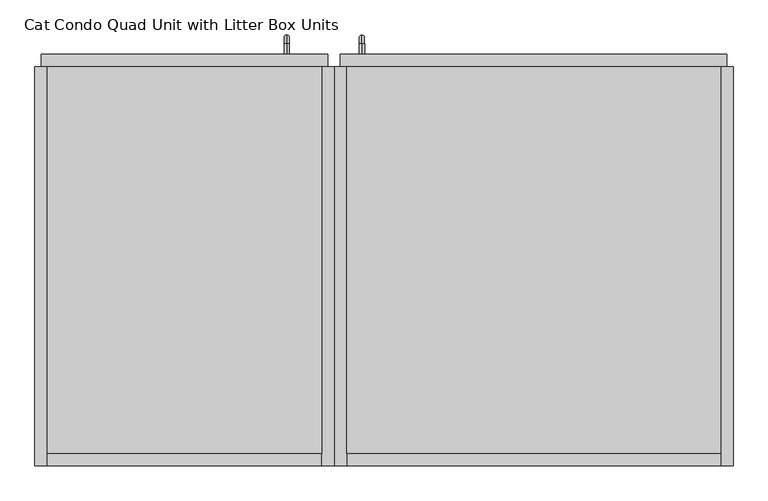
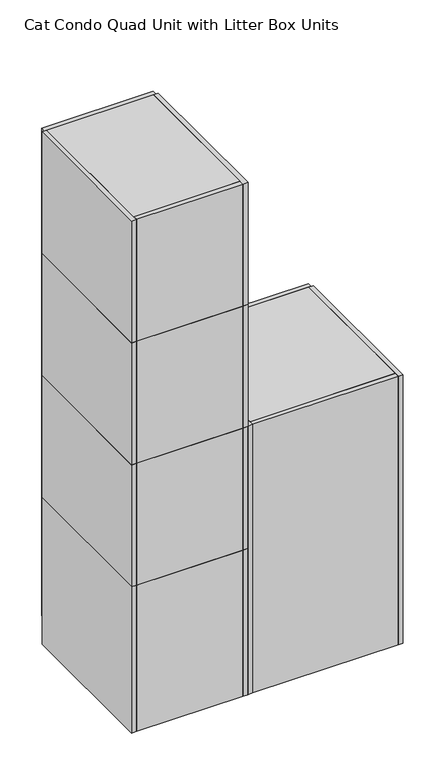
"""IFC4 building model written with IfcOpenShell, lengths in millimetres: proxy geometry, Cat Condo Quad Unit with Litter Box Units."""

from ifc_helpers import new_model, si_unit, point, frame, frame_2d, origin, origin_with_axes, place, context, project, spatial, polyline, circle_curve, ellipse_curve, trimmed, segment, composite_curve, outline, extrude, source, transform, mapped, element, save
from ifc_brep_helpers import plane_surface, cylinder_surface, revolved_surface, advanced_brep


def cat_condo_quad_unit_with_litter_box_units_e218aa6b(model_context):
    return source(origin(), model_context, "Body", "SolidModel", [
        advanced_brep(
        [(994.1819084, 19.05, 551.6993154), (994.1819084, 19.05, 559.5506846), (994.1819084, 35.2117768, 559.5506846), (994.1819084, 35.2117768, 551.6993154), (994.1819084, 48.3756846, 546.3867768), (994.1819084, 40.5243154, 546.3867768), (994.1819084, 48.3756846, 463.2632232), (994.1819084, 40.5243154, 463.2632232), (994.1819084, 35.2117768, 450.0993154), (994.1819084, 35.2117768, 457.9506846), (994.1819084, 19.05, 457.9506846), (994.1819084, 19.05, 450.0993154)],
        [
            (0, 1, circle_curve(frame((994.1819084, 19.05, 555.625), z_axis=(0.0, -1.0, 0.0), x_axis=(0.0, 0.0, 1.0)), 3.9256846)),
            (1, 0, circle_curve(frame((994.1819084, 19.05, 555.625), z_axis=(0.0, -1.0, 0.0), x_axis=(0.0, 0.0, 1.0)), 3.9256846)),
            (1, 2),
            (2, 3, circle_curve(frame((994.1819084, 35.2117768, 555.625), z_axis=(0.0, -1.0, 0.0), x_axis=(0.0, 0.0, 1.0)), 3.9256846)),
            (3, 0),
            (3, 2, circle_curve(frame((994.1819084, 35.2117768, 555.625), z_axis=(0.0, -1.0, 0.0), x_axis=(0.0, 0.0, 1.0)), 3.9256846)),
            (4, 5, circle_curve(frame((994.1819084, 44.45, 546.3867768), z_axis=(0.0, 0.0, 1.0), x_axis=(0.0, 1.0000000000000002, 0.0)), 3.9256846)),
            (5, 3, circle_curve(frame((994.1819084, 35.2117768, 546.3867768), z_axis=(1.0, 0.0, 0.0), x_axis=(0.0, 0.0, 1.0)), 5.3125387)),
            (2, 4, circle_curve(frame((994.1819084, 35.2117768, 546.3867768), z_axis=(-1.0, 0.0, 0.0), x_axis=(0.0, 0.0, 1.0)), 13.1639078)),
            (5, 4, circle_curve(frame((994.1819084, 44.45, 546.3867768), z_axis=(0.0, 0.0, 1.0), x_axis=(0.0, 1.0000000000000002, 0.0)), 3.9256846)),
            (4, 6),
            (6, 7, circle_curve(frame((994.1819084, 44.45, 463.2632232), z_axis=(0.0, 0.0, 1.0), x_axis=(0.0, 1.0000000000000002, 0.0)), 3.9256846)),
            (7, 5),
            (7, 6, circle_curve(frame((994.1819084, 44.45, 463.2632232), z_axis=(0.0, 0.0, 1.0), x_axis=(0.0, 1.0000000000000002, 0.0)), 3.9256846)),
            (8, 9, circle_curve(frame((994.1819084, 35.2117768, 454.025), z_axis=(0.0, 1.0000000000000002, 0.0), x_axis=(0.0, 0.0, -1.0)), 3.9256846)),
            (9, 7, circle_curve(frame((994.1819084, 35.2117768, 463.2632232), z_axis=(1.0, 0.0, 0.0), x_axis=(0.0, 1.0000000000000002, 0.0)), 5.3125387)),
            (6, 8, circle_curve(frame((994.1819084, 35.2117768, 463.2632232), z_axis=(-1.0, 0.0, 0.0), x_axis=(0.0, 1.0000000000000002, 0.0)), 13.1639078)),
            (9, 8, circle_curve(frame((994.1819084, 35.2117768, 454.025), z_axis=(0.0, 1.0000000000000002, 0.0), x_axis=(0.0, 0.0, -1.0)), 3.9256846)),
            (10, 11, circle_curve(frame((994.1819084, 19.05, 454.025), z_axis=(0.0, -1.0, 0.0), x_axis=(0.0, 0.0, -1.0)), 3.9256846)),
            (11, 10, circle_curve(frame((994.1819084, 19.05, 454.025), z_axis=(0.0, -1.0, 0.0), x_axis=(0.0, 0.0, -1.0)), 3.9256846)),
            (8, 11),
            (10, 9),
        ],
        [
            plane_surface(frame((994.1819084, 19.05, 555.625), z_axis=(0.0, -1.0, 0.0), x_axis=(1.0, 0.0, 0.0))),
            cylinder_surface(frame((994.1819084, 19.05, 555.625), z_axis=(0.0, -1.0000000000000002, 0.0), x_axis=(0.0, 0.0, 1.0)), 3.9256846),
            revolved_surface(trimmed(ellipse_curve(frame((994.1819084, 35.2117768, 555.625), z_axis=(0.0, 1.0000000000000002, 0.0), x_axis=(0.0, 0.0, 1.0)), 3.9256846, 3.9256846), [point((994.1819084, 35.2117768, 551.6993154))], [point((994.1819084, 35.2117768, 559.5506846))], True, "CARTESIAN"), (994.1819084, 35.2117768, 546.3867768), (1.0000000000000002, 0.0, 0.0)),
            revolved_surface(trimmed(ellipse_curve(frame((994.1819084, 35.2117768, 555.625), z_axis=(0.0, 1.0000000000000002, 0.0), x_axis=(0.0, 0.0, 1.0)), 3.9256846, 3.9256846), [point((994.1819084, 35.2117768, 559.5506846))], [point((994.1819084, 35.2117768, 551.6993154))], True, "CARTESIAN"), (994.1819084, 35.2117768, 546.3867768), (1.0000000000000002, 0.0, 0.0)),
            cylinder_surface(frame((994.1819084, 44.45, 546.3867768), z_axis=(0.0, 0.0, 1.0), x_axis=(0.0, 1.0000000000000002, 0.0)), 3.9256846),
            revolved_surface(trimmed(ellipse_curve(frame((994.1819084, 44.45, 463.2632232), z_axis=(0.0, 0.0, -1.0), x_axis=(0.0, 1.0000000000000002, 0.0)), 3.9256846, 3.9256846), [point((994.1819084, 40.5243154, 463.2632232))], [point((994.1819084, 48.3756846, 463.2632232))], True, "CARTESIAN"), (994.1819084, 35.2117768, 463.2632232), (1.0000000000000002, 0.0, 0.0)),
            revolved_surface(trimmed(ellipse_curve(frame((994.1819084, 44.45, 463.2632232), z_axis=(0.0, 0.0, -1.0), x_axis=(0.0, 1.0000000000000002, 0.0)), 3.9256846, 3.9256846), [point((994.1819084, 48.3756846, 463.2632232))], [point((994.1819084, 40.5243154, 463.2632232))], True, "CARTESIAN"), (994.1819084, 35.2117768, 463.2632232), (1.0000000000000002, 0.0, 0.0)),
            plane_surface(frame((994.1819084, 19.05, 454.025), z_axis=(0.0, -1.0, 0.0), x_axis=(1.0, 0.0, 0.0))),
            cylinder_surface(frame((994.1819084, 35.2117768, 454.025), z_axis=(0.0, 1.0000000000000002, 0.0), x_axis=(0.0, 0.0, -1.0)), 3.9256846),
        ],
        [
            (0, [[1, 2]]),
            (1, [[3, 4, 5, -2]]),
            (1, [[-5, 6, -3, -1]]),
            (2, [[7, 8, -4, 9]]),
            (3, [[10, -9, -6, -8]]),
            (4, [[11, 12, 13, -7]]),
            (4, [[-13, 14, -11, -10]]),
            (5, [[15, 16, -12, 17]]),
            (6, [[18, -17, -14, -16]]),
            (7, [[19, 20]]),
            (8, [[21, -19, 22, -15]]),
            (8, [[-22, -20, -21, -18]]),
        ],
    ),
        extrude(outline(polyline([(1047.75, -590.55), (628.65, -590.55), (628.65, 0.0), (1047.75, 0.0), (1047.75, -590.55)])), frame((0.0, 0.0, 587.375), z_axis=(0.0, 0.0, 1.0), x_axis=(1.0, 0.0, 0.0)), (0.0, 0.0, 1.0), 19.05),
        extrude(outline(polyline([(1047.75, 0.0), (1047.75, -590.55), (628.65, -590.55), (628.65, 0.0), (1047.75, 0.0)])), frame((0.0, 0.0, 101.6), z_axis=(0.0, 0.0, 1.0), x_axis=(1.0, 0.0, 0.0)), (0.0, 0.0, 1.0), 19.05),
        extrude(outline(polyline([(1047.75, -19.05), (628.65, -19.05), (628.65, 0.0), (1047.75, 0.0), (1047.75, -19.05)])), origin_with_axes(), (0.0, 0.0, 1.0), 101.6),
        extrude(outline(polyline([(1047.75, -609.6), (1047.75, 0.0), (1066.8, 0.0), (1066.8, -609.6), (1047.75, -609.6)])), origin_with_axes(), (0.0, 0.0, 1.0), 606.425),
        extrude(outline(polyline([(1047.75, -609.6), (628.65, -609.6), (628.65, -590.55), (1047.75, -590.55), (1047.75, -609.6)])), origin_with_axes(), (0.0, 0.0, 1.0), 606.425),
        extrude(outline(polyline([(628.65, -609.6), (609.6, -609.6), (609.6, 0.0), (628.65, 0.0), (628.65, -609.6)])), origin_with_axes(), (0.0, 0.0, 1.0), 606.425),
        extrude(outline(composite_curve([segment(polyline([(527.05, 895.35), (527.05, 781.05)]), True, "CONTINUOUS"), segment(trimmed(circle_curve(frame_2d((501.65, 781.05)), 25.4), [point((527.05, 781.05))], [point((501.65, 755.65))], False, "CARTESIAN"), True, "CONTINUOUS"), segment(polyline([(501.65, 755.65), (257.175, 755.65)]), True, "CONTINUOUS"), segment(trimmed(circle_curve(frame_2d((257.175, 781.05)), 25.4), [point((257.175, 755.65))], [point((231.775, 781.05))], False, "CARTESIAN"), True, "CONTINUOUS"), segment(polyline([(231.775, 781.05), (231.775, 895.35)]), True, "CONTINUOUS"), segment(trimmed(circle_curve(frame_2d((257.175, 895.35)), 25.4), [point((231.775, 895.35))], [point((257.175, 920.75))], False, "CARTESIAN"), True, "CONTINUOUS"), segment(polyline([(257.175, 920.75), (501.65, 920.75)]), True, "CONTINUOUS"), segment(trimmed(circle_curve(frame_2d((501.65, 895.35)), 25.4), [point((501.65, 920.75))], [point((527.05, 895.35))], False, "CARTESIAN"), True, "CONTINUOUS")], self_intersect=False)), frame((0.0, 6.35, 0.0), z_axis=(0.0, 1.0, 0.0), x_axis=(0.0, 0.0, 1.0)), (0.0, 0.0, 1.0), 6.35),
        extrude(outline(polyline([(606.425, 619.125), (101.6, 619.125), (101.6, 1057.275), (606.425, 1057.275), (606.425, 619.125)]), holes=[composite_curve([segment(trimmed(circle_curve(frame_2d((501.65, 895.35)), 25.4), [point((527.05, 895.35))], [point((501.65, 920.75))], True, "CARTESIAN"), True, "CONTINUOUS"), segment(polyline([(501.65, 920.75), (257.175, 920.75)]), True, "CONTINUOUS"), segment(trimmed(circle_curve(frame_2d((257.175, 895.35)), 25.4), [point((257.175, 920.75))], [point((231.775, 895.35))], True, "CARTESIAN"), True, "CONTINUOUS"), segment(polyline([(231.775, 895.35), (231.775, 781.05)]), True, "CONTINUOUS"), segment(trimmed(circle_curve(frame_2d((257.175, 781.05)), 25.4), [point((231.775, 781.05))], [point((257.175, 755.65))], True, "CARTESIAN"), True, "CONTINUOUS"), segment(polyline([(257.175, 755.65), (501.65, 755.65)]), True, "CONTINUOUS"), segment(trimmed(circle_curve(frame_2d((501.65, 781.05)), 25.4), [point((501.65, 755.65))], [point((527.05, 781.05))], True, "CARTESIAN"), True, "CONTINUOUS"), segment(polyline([(527.05, 781.05), (527.05, 895.35)]), True, "CONTINUOUS")], self_intersect=False)]), frame((0.0, 0.0, 0.0), z_axis=(0.0, 1.0, 0.0), x_axis=(0.0, 0.0, 1.0)), (0.0, 0.0, 1.0), 19.05),
        advanced_brep(
        [(994.1819084, 19.05, 1056.5243154), (994.1819084, 19.05, 1064.3756846), (994.1819084, 35.2117768, 1064.3756846), (994.1819084, 35.2117768, 1056.5243154), (994.1819084, 48.3756846, 1051.2117768), (994.1819084, 40.5243154, 1051.2117768), (994.1819084, 48.3756846, 968.0882232), (994.1819084, 40.5243154, 968.0882232), (994.1819084, 35.2117768, 954.9243154), (994.1819084, 35.2117768, 962.7756846), (994.1819084, 19.05, 962.7756846), (994.1819084, 19.05, 954.9243154)],
        [
            (0, 1, circle_curve(frame((994.1819084, 19.05, 1060.45), z_axis=(0.0, -1.0, 0.0), x_axis=(0.0, 0.0, 1.0)), 3.9256846)),
            (1, 0, circle_curve(frame((994.1819084, 19.05, 1060.45), z_axis=(0.0, -1.0, 0.0), x_axis=(0.0, 0.0, 1.0)), 3.9256846)),
            (1, 2),
            (2, 3, circle_curve(frame((994.1819084, 35.2117768, 1060.45), z_axis=(0.0, -1.0, 0.0), x_axis=(0.0, 0.0, 1.0)), 3.9256846)),
            (3, 0),
            (3, 2, circle_curve(frame((994.1819084, 35.2117768, 1060.45), z_axis=(0.0, -1.0, 0.0), x_axis=(0.0, 0.0, 1.0)), 3.9256846)),
            (4, 5, circle_curve(frame((994.1819084, 44.45, 1051.2117768), z_axis=(0.0, 0.0, 1.0), x_axis=(0.0, 1.0000000000000002, 0.0)), 3.9256846)),
            (5, 3, circle_curve(frame((994.1819084, 35.2117768, 1051.2117768), z_axis=(1.0, 0.0, 0.0), x_axis=(0.0, 0.0, 1.0)), 5.3125387)),
            (2, 4, circle_curve(frame((994.1819084, 35.2117768, 1051.2117768), z_axis=(-1.0, 0.0, 0.0), x_axis=(0.0, 0.0, 1.0)), 13.1639078)),
            (5, 4, circle_curve(frame((994.1819084, 44.45, 1051.2117768), z_axis=(0.0, 0.0, 1.0), x_axis=(0.0, 1.0000000000000002, 0.0)), 3.9256846)),
            (4, 6),
            (6, 7, circle_curve(frame((994.1819084, 44.45, 968.0882232), z_axis=(0.0, 0.0, 1.0), x_axis=(0.0, 1.0000000000000002, 0.0)), 3.9256846)),
            (7, 5),
            (7, 6, circle_curve(frame((994.1819084, 44.45, 968.0882232), z_axis=(0.0, 0.0, 1.0), x_axis=(0.0, 1.0000000000000002, 0.0)), 3.9256846)),
            (8, 9, circle_curve(frame((994.1819084, 35.2117768, 958.85), z_axis=(0.0, 1.0000000000000002, 0.0), x_axis=(0.0, 0.0, -1.0)), 3.9256846)),
            (9, 7, circle_curve(frame((994.1819084, 35.2117768, 968.0882232), z_axis=(1.0, 0.0, 0.0), x_axis=(0.0, 1.0000000000000002, 0.0)), 5.3125387)),
            (6, 8, circle_curve(frame((994.1819084, 35.2117768, 968.0882232), z_axis=(-1.0, 0.0, 0.0), x_axis=(0.0, 1.0000000000000002, 0.0)), 13.1639078)),
            (9, 8, circle_curve(frame((994.1819084, 35.2117768, 958.85), z_axis=(0.0, 1.0000000000000002, 0.0), x_axis=(0.0, 0.0, -1.0)), 3.9256846)),
            (10, 11, circle_curve(frame((994.1819084, 19.05, 958.85), z_axis=(0.0, -1.0, 0.0), x_axis=(0.0, 0.0, -1.0)), 3.9256846)),
            (11, 10, circle_curve(frame((994.1819084, 19.05, 958.85), z_axis=(0.0, -1.0, 0.0), x_axis=(0.0, 0.0, -1.0)), 3.9256846)),
            (8, 11),
            (10, 9),
        ],
        [
            plane_surface(frame((994.1819084, 19.05, 1060.45), z_axis=(0.0, -1.0, 0.0), x_axis=(1.0, 0.0, 0.0))),
            cylinder_surface(frame((994.1819084, 19.05, 1060.45), z_axis=(0.0, -1.0000000000000002, 0.0), x_axis=(0.0, 0.0, 1.0)), 3.9256846),
            revolved_surface(trimmed(ellipse_curve(frame((994.1819084, 35.2117768, 1060.45), z_axis=(0.0, 1.0000000000000002, 0.0), x_axis=(0.0, 0.0, 1.0)), 3.9256846, 3.9256846), [point((994.1819084, 35.2117768, 1056.5243154))], [point((994.1819084, 35.2117768, 1064.3756846))], True, "CARTESIAN"), (994.1819084, 35.2117768, 1051.2117768), (1.0000000000000002, 0.0, 0.0)),
            revolved_surface(trimmed(ellipse_curve(frame((994.1819084, 35.2117768, 1060.45), z_axis=(0.0, 1.0000000000000002, 0.0), x_axis=(0.0, 0.0, 1.0)), 3.9256846, 3.9256846), [point((994.1819084, 35.2117768, 1064.3756846))], [point((994.1819084, 35.2117768, 1056.5243154))], True, "CARTESIAN"), (994.1819084, 35.2117768, 1051.2117768), (1.0000000000000002, 0.0, 0.0)),
            cylinder_surface(frame((994.1819084, 44.45, 1051.2117768), z_axis=(0.0, 0.0, 1.0), x_axis=(0.0, 1.0000000000000002, 0.0)), 3.9256846),
            revolved_surface(trimmed(ellipse_curve(frame((994.1819084, 44.45, 968.0882232), z_axis=(0.0, 0.0, -1.0), x_axis=(0.0, 1.0000000000000002, 0.0)), 3.9256846, 3.9256846), [point((994.1819084, 40.5243154, 968.0882232))], [point((994.1819084, 48.3756846, 968.0882232))], True, "CARTESIAN"), (994.1819084, 35.2117768, 968.0882232), (1.0000000000000002, 0.0, 0.0)),
            revolved_surface(trimmed(ellipse_curve(frame((994.1819084, 44.45, 968.0882232), z_axis=(0.0, 0.0, -1.0), x_axis=(0.0, 1.0000000000000002, 0.0)), 3.9256846, 3.9256846), [point((994.1819084, 48.3756846, 968.0882232))], [point((994.1819084, 40.5243154, 968.0882232))], True, "CARTESIAN"), (994.1819084, 35.2117768, 968.0882232), (1.0000000000000002, 0.0, 0.0)),
            plane_surface(frame((994.1819084, 19.05, 958.85), z_axis=(0.0, -1.0, 0.0), x_axis=(1.0, 0.0, 0.0))),
            cylinder_surface(frame((994.1819084, 35.2117768, 958.85), z_axis=(0.0, 1.0000000000000002, 0.0), x_axis=(0.0, 0.0, -1.0)), 3.9256846),
        ],
        [
            (0, [[1, 2]]),
            (1, [[3, 4, 5, -2]]),
            (1, [[-5, 6, -3, -1]]),
            (2, [[7, 8, -4, 9]]),
            (3, [[10, -9, -6, -8]]),
            (4, [[11, 12, 13, -7]]),
            (4, [[-13, 14, -11, -10]]),
            (5, [[15, 16, -12, 17]]),
            (6, [[18, -17, -14, -16]]),
            (7, [[19, 20]]),
            (8, [[21, -19, 22, -15]]),
            (8, [[-22, -20, -21, -18]]),
        ],
    ),
        extrude(outline(polyline([(1047.75, -590.55), (628.65, -590.55), (628.65, 0.0), (1047.75, 0.0), (1047.75, -590.55)])), frame((0.0, 0.0, 1093.7875), z_axis=(0.0, 0.0, 1.0), x_axis=(1.0, 0.0, 0.0)), (0.0, 0.0, 1.0), 19.05),
        extrude(outline(polyline([(1047.75, 0.0), (1047.75, -590.55), (628.65, -590.55), (628.65, 0.0), (1047.75, 0.0)])), frame((0.0, 0.0, 606.425), z_axis=(0.0, 0.0, 1.0), x_axis=(1.0, 0.0, 0.0)), (0.0, 0.0, 1.0), 19.05),
        extrude(outline(polyline([(1047.75, -609.6), (1047.75, 0.0), (1066.8, 0.0), (1066.8, -609.6), (1047.75, -609.6)])), frame((0.0, 0.0, 606.425), z_axis=(0.0, 0.0, 1.0), x_axis=(1.0, 0.0, 0.0)), (0.0, 0.0, 1.0), 506.4125),
        extrude(outline(polyline([(1047.75, -609.6), (628.65, -609.6), (628.65, -590.55), (1047.75, -590.55), (1047.75, -609.6)])), frame((0.0, 0.0, 606.425), z_axis=(0.0, 0.0, 1.0), x_axis=(1.0, 0.0, 0.0)), (0.0, 0.0, 1.0), 506.4125),
        extrude(outline(polyline([(628.65, -609.6), (609.6, -609.6), (609.6, 0.0), (628.65, 0.0), (628.65, -609.6)])), frame((0.0, 0.0, 606.425), z_axis=(0.0, 0.0, 1.0), x_axis=(1.0, 0.0, 0.0)), (0.0, 0.0, 1.0), 506.4125),
        extrude(outline(composite_curve([segment(polyline([(1033.4625, 895.35), (1033.4625, 781.05)]), True, "CONTINUOUS"), segment(trimmed(circle_curve(frame_2d((1008.0625, 781.05)), 25.4), [point((1033.4625, 781.05))], [point((1008.0625, 755.65))], False, "CARTESIAN"), True, "CONTINUOUS"), segment(polyline([(1008.0625, 755.65), (762.0, 755.65)]), True, "CONTINUOUS"), segment(trimmed(circle_curve(frame_2d((762.0, 781.05)), 25.4), [point((762.0, 755.65))], [point((736.6, 781.05))], False, "CARTESIAN"), True, "CONTINUOUS"), segment(polyline([(736.6, 781.05), (736.6, 895.35)]), True, "CONTINUOUS"), segment(trimmed(circle_curve(frame_2d((762.0, 895.35)), 25.4), [point((736.6, 895.35))], [point((762.0, 920.75))], False, "CARTESIAN"), True, "CONTINUOUS"), segment(polyline([(762.0, 920.75), (1008.0625, 920.75)]), True, "CONTINUOUS"), segment(trimmed(circle_curve(frame_2d((1008.0625, 895.35)), 25.4), [point((1008.0625, 920.75))], [point((1033.4625, 895.35))], False, "CARTESIAN"), True, "CONTINUOUS")], self_intersect=False)), frame((0.0, 6.35, 0.0), z_axis=(0.0, 1.0, 0.0), x_axis=(0.0, 0.0, 1.0)), (0.0, 0.0, 1.0), 6.35),
        extrude(outline(polyline([(1112.8375, 619.125), (606.425, 619.125), (606.425, 1057.275), (1112.8375, 1057.275), (1112.8375, 619.125)]), holes=[composite_curve([segment(trimmed(circle_curve(frame_2d((1008.0625, 895.35)), 25.4), [point((1033.4625, 895.35))], [point((1008.0625, 920.75))], True, "CARTESIAN"), True, "CONTINUOUS"), segment(polyline([(1008.0625, 920.75), (762.0, 920.75)]), True, "CONTINUOUS"), segment(trimmed(circle_curve(frame_2d((762.0, 895.35)), 25.4), [point((762.0, 920.75))], [point((736.6, 895.35))], True, "CARTESIAN"), True, "CONTINUOUS"), segment(polyline([(736.6, 895.35), (736.6, 781.05)]), True, "CONTINUOUS"), segment(trimmed(circle_curve(frame_2d((762.0, 781.05)), 25.4), [point((736.6, 781.05))], [point((762.0, 755.65))], True, "CARTESIAN"), True, "CONTINUOUS"), segment(polyline([(762.0, 755.65), (1008.0625, 755.65)]), True, "CONTINUOUS"), segment(trimmed(circle_curve(frame_2d((1008.0625, 781.05)), 25.4), [point((1008.0625, 755.65))], [point((1033.4625, 781.05))], True, "CARTESIAN"), True, "CONTINUOUS"), segment(polyline([(1033.4625, 781.05), (1033.4625, 895.35)]), True, "CONTINUOUS")], self_intersect=False)]), frame((0.0, 0.0, 0.0), z_axis=(0.0, 1.0, 0.0), x_axis=(0.0, 0.0, 1.0)), (0.0, 0.0, 1.0), 19.05),
        advanced_brep(
        [(994.1819084, 19.05, 1254.9618154), (994.1819084, 19.05, 1262.8131846), (994.1819084, 35.2117768, 1262.8131846), (994.1819084, 35.2117768, 1254.9618154), (994.1819084, 48.3756846, 1249.6492768), (994.1819084, 40.5243154, 1249.6492768), (994.1819084, 48.3756846, 1166.5257232), (994.1819084, 40.5243154, 1166.5257232), (994.1819084, 35.2117768, 1153.3618154), (994.1819084, 35.2117768, 1161.2131846), (994.1819084, 19.05, 1161.2131846), (994.1819084, 19.05, 1153.3618154)],
        [
            (0, 1, circle_curve(frame((994.1819084, 19.05, 1258.8875), z_axis=(0.0, -1.0, 0.0), x_axis=(0.0, 0.0, 1.0)), 3.9256846)),
            (1, 0, circle_curve(frame((994.1819084, 19.05, 1258.8875), z_axis=(0.0, -1.0, 0.0), x_axis=(0.0, 0.0, 1.0)), 3.9256846)),
            (1, 2),
            (2, 3, circle_curve(frame((994.1819084, 35.2117768, 1258.8875), z_axis=(0.0, -1.0, 0.0), x_axis=(0.0, 0.0, 1.0)), 3.9256846)),
            (3, 0),
            (3, 2, circle_curve(frame((994.1819084, 35.2117768, 1258.8875), z_axis=(0.0, -1.0, 0.0), x_axis=(0.0, 0.0, 1.0)), 3.9256846)),
            (4, 5, circle_curve(frame((994.1819084, 44.45, 1249.6492768), z_axis=(0.0, 0.0, 1.0), x_axis=(0.0, 1.0000000000000002, 0.0)), 3.9256846)),
            (5, 3, circle_curve(frame((994.1819084, 35.2117768, 1249.6492768), z_axis=(1.0, 0.0, 0.0), x_axis=(0.0, 0.0, 1.0)), 5.3125387)),
            (2, 4, circle_curve(frame((994.1819084, 35.2117768, 1249.6492768), z_axis=(-1.0, 0.0, 0.0), x_axis=(0.0, 0.0, 1.0)), 13.1639078)),
            (5, 4, circle_curve(frame((994.1819084, 44.45, 1249.6492768), z_axis=(0.0, 0.0, 1.0), x_axis=(0.0, 1.0000000000000002, 0.0)), 3.9256846)),
            (4, 6),
            (6, 7, circle_curve(frame((994.1819084, 44.45, 1166.5257232), z_axis=(0.0, 0.0, 1.0), x_axis=(0.0, 1.0000000000000002, 0.0)), 3.9256846)),
            (7, 5),
            (7, 6, circle_curve(frame((994.1819084, 44.45, 1166.5257232), z_axis=(0.0, 0.0, 1.0), x_axis=(0.0, 1.0000000000000002, 0.0)), 3.9256846)),
            (8, 9, circle_curve(frame((994.1819084, 35.2117768, 1157.2875), z_axis=(0.0, 1.0000000000000002, 0.0), x_axis=(0.0, 0.0, -1.0)), 3.9256846)),
            (9, 7, circle_curve(frame((994.1819084, 35.2117768, 1166.5257232), z_axis=(1.0, 0.0, 0.0), x_axis=(0.0, 1.0000000000000002, 0.0)), 5.3125387)),
            (6, 8, circle_curve(frame((994.1819084, 35.2117768, 1166.5257232), z_axis=(-1.0, 0.0, 0.0), x_axis=(0.0, 1.0000000000000002, 0.0)), 13.1639078)),
            (9, 8, circle_curve(frame((994.1819084, 35.2117768, 1157.2875), z_axis=(0.0, 1.0000000000000002, 0.0), x_axis=(0.0, 0.0, -1.0)), 3.9256846)),
            (10, 11, circle_curve(frame((994.1819084, 19.05, 1157.2875), z_axis=(0.0, -1.0, 0.0), x_axis=(0.0, 0.0, -1.0)), 3.9256846)),
            (11, 10, circle_curve(frame((994.1819084, 19.05, 1157.2875), z_axis=(0.0, -1.0, 0.0), x_axis=(0.0, 0.0, -1.0)), 3.9256846)),
            (8, 11),
            (10, 9),
        ],
        [
            plane_surface(frame((994.1819084, 19.05, 1258.8875), z_axis=(0.0, -1.0, 0.0), x_axis=(1.0, 0.0, 0.0))),
            cylinder_surface(frame((994.1819084, 19.05, 1258.8875), z_axis=(0.0, -1.0000000000000002, 0.0), x_axis=(0.0, 0.0, 1.0)), 3.9256846),
            revolved_surface(trimmed(ellipse_curve(frame((994.1819084, 35.2117768, 1258.8875), z_axis=(0.0, 1.0000000000000002, 0.0), x_axis=(0.0, 0.0, 1.0)), 3.9256846, 3.9256846), [point((994.1819084, 35.2117768, 1254.9618154))], [point((994.1819084, 35.2117768, 1262.8131846))], True, "CARTESIAN"), (994.1819084, 35.2117768, 1249.6492768), (1.0000000000000002, 0.0, 0.0)),
            revolved_surface(trimmed(ellipse_curve(frame((994.1819084, 35.2117768, 1258.8875), z_axis=(0.0, 1.0000000000000002, 0.0), x_axis=(0.0, 0.0, 1.0)), 3.9256846, 3.9256846), [point((994.1819084, 35.2117768, 1262.8131846))], [point((994.1819084, 35.2117768, 1254.9618154))], True, "CARTESIAN"), (994.1819084, 35.2117768, 1249.6492768), (1.0000000000000002, 0.0, 0.0)),
            cylinder_surface(frame((994.1819084, 44.45, 1249.6492768), z_axis=(0.0, 0.0, 1.0), x_axis=(0.0, 1.0000000000000002, 0.0)), 3.9256846),
            revolved_surface(trimmed(ellipse_curve(frame((994.1819084, 44.45, 1166.5257232), z_axis=(0.0, 0.0, -1.0), x_axis=(0.0, 1.0000000000000002, 0.0)), 3.9256846, 3.9256846), [point((994.1819084, 40.5243154, 1166.5257232))], [point((994.1819084, 48.3756846, 1166.5257232))], True, "CARTESIAN"), (994.1819084, 35.2117768, 1166.5257232), (1.0000000000000002, 0.0, 0.0)),
            revolved_surface(trimmed(ellipse_curve(frame((994.1819084, 44.45, 1166.5257232), z_axis=(0.0, 0.0, -1.0), x_axis=(0.0, 1.0000000000000002, 0.0)), 3.9256846, 3.9256846), [point((994.1819084, 48.3756846, 1166.5257232))], [point((994.1819084, 40.5243154, 1166.5257232))], True, "CARTESIAN"), (994.1819084, 35.2117768, 1166.5257232), (1.0000000000000002, 0.0, 0.0)),
            plane_surface(frame((994.1819084, 19.05, 1157.2875), z_axis=(0.0, -1.0, 0.0), x_axis=(1.0, 0.0, 0.0))),
            cylinder_surface(frame((994.1819084, 35.2117768, 1157.2875), z_axis=(0.0, 1.0000000000000002, 0.0), x_axis=(0.0, 0.0, -1.0)), 3.9256846),
        ],
        [
            (0, [[1, 2]]),
            (1, [[3, 4, 5, -2]]),
            (1, [[-5, 6, -3, -1]]),
            (2, [[7, 8, -4, 9]]),
            (3, [[10, -9, -6, -8]]),
            (4, [[11, 12, 13, -7]]),
            (4, [[-13, 14, -11, -10]]),
            (5, [[15, 16, -12, 17]]),
            (6, [[18, -17, -14, -16]]),
            (7, [[19, 20]]),
            (8, [[21, -19, 22, -15]]),
            (8, [[-22, -20, -21, -18]]),
        ],
    ),
        extrude(outline(polyline([(1047.75, -590.55), (628.65, -590.55), (628.65, 0.0), (1047.75, 0.0), (1047.75, -590.55)])), frame((0.0, 0.0, 1600.2), z_axis=(0.0, 0.0, 1.0), x_axis=(1.0, 0.0, 0.0)), (0.0, 0.0, 1.0), 19.05),
        extrude(outline(polyline([(1047.75, 0.0), (1047.75, -590.55), (628.65, -590.55), (628.65, 0.0), (1047.75, 0.0)])), frame((0.0, 0.0, 1112.8375), z_axis=(0.0, 0.0, 1.0), x_axis=(1.0, 0.0, 0.0)), (0.0, 0.0, 1.0), 19.05),
        extrude(outline(polyline([(1047.75, -609.6), (1047.75, 0.0), (1066.8, 0.0), (1066.8, -609.6), (1047.75, -609.6)])), frame((0.0, 0.0, 1112.8375), z_axis=(0.0, 0.0, 1.0), x_axis=(1.0, 0.0, 0.0)), (0.0, 0.0, 1.0), 506.4125),
        extrude(outline(polyline([(1047.75, -609.6), (628.65, -609.6), (628.65, -590.55), (1047.75, -590.55), (1047.75, -609.6)])), frame((0.0, 0.0, 1112.8375), z_axis=(0.0, 0.0, 1.0), x_axis=(1.0, 0.0, 0.0)), (0.0, 0.0, 1.0), 506.4125),
        extrude(outline(polyline([(628.65, -609.6), (609.6, -609.6), (609.6, 0.0), (628.65, 0.0), (628.65, -609.6)])), frame((0.0, 0.0, 1112.8375), z_axis=(0.0, 0.0, 1.0), x_axis=(1.0, 0.0, 0.0)), (0.0, 0.0, 1.0), 506.4125),
        extrude(outline(composite_curve([segment(polyline([(1539.875, 895.35), (1539.875, 781.05)]), True, "CONTINUOUS"), segment(trimmed(circle_curve(frame_2d((1514.475, 781.05)), 25.4), [point((1539.875, 781.05))], [point((1514.475, 755.65))], False, "CARTESIAN"), True, "CONTINUOUS"), segment(polyline([(1514.475, 755.65), (1268.4125, 755.65)]), True, "CONTINUOUS"), segment(trimmed(circle_curve(frame_2d((1268.4125, 781.05)), 25.4), [point((1268.4125, 755.65))], [point((1243.0125, 781.05))], False, "CARTESIAN"), True, "CONTINUOUS"), segment(polyline([(1243.0125, 781.05), (1243.0125, 895.35)]), True, "CONTINUOUS"), segment(trimmed(circle_curve(frame_2d((1268.4125, 895.35)), 25.4), [point((1243.0125, 895.35))], [point((1268.4125, 920.75))], False, "CARTESIAN"), True, "CONTINUOUS"), segment(polyline([(1268.4125, 920.75), (1514.475, 920.75)]), True, "CONTINUOUS"), segment(trimmed(circle_curve(frame_2d((1514.475, 895.35)), 25.4), [point((1514.475, 920.75))], [point((1539.875, 895.35))], False, "CARTESIAN"), True, "CONTINUOUS")], self_intersect=False)), frame((0.0, 6.35, 0.0), z_axis=(0.0, 1.0, 0.0), x_axis=(0.0, 0.0, 1.0)), (0.0, 0.0, 1.0), 6.35),
        extrude(outline(polyline([(1619.25, 619.125), (1112.8375, 619.125), (1112.8375, 1057.275), (1619.25, 1057.275), (1619.25, 619.125)]), holes=[composite_curve([segment(trimmed(circle_curve(frame_2d((1514.475, 895.35)), 25.4), [point((1539.875, 895.35))], [point((1514.475, 920.75))], True, "CARTESIAN"), True, "CONTINUOUS"), segment(polyline([(1514.475, 920.75), (1268.4125, 920.75)]), True, "CONTINUOUS"), segment(trimmed(circle_curve(frame_2d((1268.4125, 895.35)), 25.4), [point((1268.4125, 920.75))], [point((1243.0125, 895.35))], True, "CARTESIAN"), True, "CONTINUOUS"), segment(polyline([(1243.0125, 895.35), (1243.0125, 781.05)]), True, "CONTINUOUS"), segment(trimmed(circle_curve(frame_2d((1268.4125, 781.05)), 25.4), [point((1243.0125, 781.05))], [point((1268.4125, 755.65))], True, "CARTESIAN"), True, "CONTINUOUS"), segment(polyline([(1268.4125, 755.65), (1514.475, 755.65)]), True, "CONTINUOUS"), segment(trimmed(circle_curve(frame_2d((1514.475, 781.05)), 25.4), [point((1514.475, 755.65))], [point((1539.875, 781.05))], True, "CARTESIAN"), True, "CONTINUOUS"), segment(polyline([(1539.875, 781.05), (1539.875, 895.35)]), True, "CONTINUOUS")], self_intersect=False)]), frame((0.0, 0.0, 0.0), z_axis=(0.0, 1.0, 0.0), x_axis=(0.0, 0.0, 1.0)), (0.0, 0.0, 1.0), 19.05),
        advanced_brep(
        [(994.1819084, 19.05, 1761.3743154), (994.1819084, 19.05, 1769.2256846), (994.1819084, 35.2117768, 1769.2256846), (994.1819084, 35.2117768, 1761.3743154), (994.1819084, 48.3756846, 1756.0617768), (994.1819084, 40.5243154, 1756.0617768), (994.1819084, 48.3756846, 1672.9382232), (994.1819084, 40.5243154, 1672.9382232), (994.1819084, 35.2117768, 1659.7743154), (994.1819084, 35.2117768, 1667.6256846), (994.1819084, 19.05, 1667.6256846), (994.1819084, 19.05, 1659.7743154)],
        [
            (0, 1, circle_curve(frame((994.1819084, 19.05, 1765.3), z_axis=(0.0, -1.0, 0.0), x_axis=(0.0, 0.0, 1.0)), 3.9256846)),
            (1, 0, circle_curve(frame((994.1819084, 19.05, 1765.3), z_axis=(0.0, -1.0, 0.0), x_axis=(0.0, 0.0, 1.0)), 3.9256846)),
            (1, 2),
            (2, 3, circle_curve(frame((994.1819084, 35.2117768, 1765.3), z_axis=(0.0, -1.0, 0.0), x_axis=(0.0, 0.0, 1.0)), 3.9256846)),
            (3, 0),
            (3, 2, circle_curve(frame((994.1819084, 35.2117768, 1765.3), z_axis=(0.0, -1.0, 0.0), x_axis=(0.0, 0.0, 1.0)), 3.9256846)),
            (4, 5, circle_curve(frame((994.1819084, 44.45, 1756.0617768), z_axis=(0.0, 0.0, 1.0), x_axis=(0.0, 1.0000000000000002, 0.0)), 3.9256846)),
            (5, 3, circle_curve(frame((994.1819084, 35.2117768, 1756.0617768), z_axis=(1.0, 0.0, 0.0), x_axis=(0.0, 0.0, 1.0)), 5.3125387)),
            (2, 4, circle_curve(frame((994.1819084, 35.2117768, 1756.0617768), z_axis=(-1.0, 0.0, 0.0), x_axis=(0.0, 0.0, 1.0)), 13.1639078)),
            (5, 4, circle_curve(frame((994.1819084, 44.45, 1756.0617768), z_axis=(0.0, 0.0, 1.0), x_axis=(0.0, 1.0000000000000002, 0.0)), 3.9256846)),
            (4, 6),
            (6, 7, circle_curve(frame((994.1819084, 44.45, 1672.9382232), z_axis=(0.0, 0.0, 1.0), x_axis=(0.0, 1.0000000000000002, 0.0)), 3.9256846)),
            (7, 5),
            (7, 6, circle_curve(frame((994.1819084, 44.45, 1672.9382232), z_axis=(0.0, 0.0, 1.0), x_axis=(0.0, 1.0000000000000002, 0.0)), 3.9256846)),
            (8, 9, circle_curve(frame((994.1819084, 35.2117768, 1663.7), z_axis=(0.0, 1.0000000000000002, 0.0), x_axis=(0.0, 0.0, -1.0)), 3.9256846)),
            (9, 7, circle_curve(frame((994.1819084, 35.2117768, 1672.9382232), z_axis=(1.0, 0.0, 0.0), x_axis=(0.0, 1.0000000000000002, 0.0)), 5.3125387)),
            (6, 8, circle_curve(frame((994.1819084, 35.2117768, 1672.9382232), z_axis=(-1.0, 0.0, 0.0), x_axis=(0.0, 1.0000000000000002, 0.0)), 13.1639078)),
            (9, 8, circle_curve(frame((994.1819084, 35.2117768, 1663.7), z_axis=(0.0, 1.0000000000000002, 0.0), x_axis=(0.0, 0.0, -1.0)), 3.9256846)),
            (10, 11, circle_curve(frame((994.1819084, 19.05, 1663.7), z_axis=(0.0, -1.0, 0.0), x_axis=(0.0, 0.0, -1.0)), 3.9256846)),
            (11, 10, circle_curve(frame((994.1819084, 19.05, 1663.7), z_axis=(0.0, -1.0, 0.0), x_axis=(0.0, 0.0, -1.0)), 3.9256846)),
            (8, 11),
            (10, 9),
        ],
        [
            plane_surface(frame((994.1819084, 19.05, 1765.3), z_axis=(0.0, -1.0, 0.0), x_axis=(1.0, 0.0, 0.0))),
            cylinder_surface(frame((994.1819084, 19.05, 1765.3), z_axis=(0.0, -1.0000000000000002, 0.0), x_axis=(0.0, 0.0, 1.0)), 3.9256846),
            revolved_surface(trimmed(ellipse_curve(frame((994.1819084, 35.2117768, 1765.3), z_axis=(0.0, 1.0000000000000002, 0.0), x_axis=(0.0, 0.0, 1.0)), 3.9256846, 3.9256846), [point((994.1819084, 35.2117768, 1761.3743154))], [point((994.1819084, 35.2117768, 1769.2256846))], True, "CARTESIAN"), (994.1819084, 35.2117768, 1756.0617768), (1.0000000000000002, 0.0, 0.0)),
            revolved_surface(trimmed(ellipse_curve(frame((994.1819084, 35.2117768, 1765.3), z_axis=(0.0, 1.0000000000000002, 0.0), x_axis=(0.0, 0.0, 1.0)), 3.9256846, 3.9256846), [point((994.1819084, 35.2117768, 1769.2256846))], [point((994.1819084, 35.2117768, 1761.3743154))], True, "CARTESIAN"), (994.1819084, 35.2117768, 1756.0617768), (1.0000000000000002, 0.0, 0.0)),
            cylinder_surface(frame((994.1819084, 44.45, 1756.0617768), z_axis=(0.0, 0.0, 1.0), x_axis=(0.0, 1.0000000000000002, 0.0)), 3.9256846),
            revolved_surface(trimmed(ellipse_curve(frame((994.1819084, 44.45, 1672.9382232), z_axis=(0.0, 0.0, -1.0), x_axis=(0.0, 1.0000000000000002, 0.0)), 3.9256846, 3.9256846), [point((994.1819084, 40.5243154, 1672.9382232))], [point((994.1819084, 48.3756846, 1672.9382232))], True, "CARTESIAN"), (994.1819084, 35.2117768, 1672.9382232), (1.0000000000000002, 0.0, 0.0)),
            revolved_surface(trimmed(ellipse_curve(frame((994.1819084, 44.45, 1672.9382232), z_axis=(0.0, 0.0, -1.0), x_axis=(0.0, 1.0000000000000002, 0.0)), 3.9256846, 3.9256846), [point((994.1819084, 48.3756846, 1672.9382232))], [point((994.1819084, 40.5243154, 1672.9382232))], True, "CARTESIAN"), (994.1819084, 35.2117768, 1672.9382232), (1.0000000000000002, 0.0, 0.0)),
            plane_surface(frame((994.1819084, 19.05, 1663.7), z_axis=(0.0, -1.0, 0.0), x_axis=(1.0, 0.0, 0.0))),
            cylinder_surface(frame((994.1819084, 35.2117768, 1663.7), z_axis=(0.0, 1.0000000000000002, 0.0), x_axis=(0.0, 0.0, -1.0)), 3.9256846),
        ],
        [
            (0, [[1, 2]]),
            (1, [[3, 4, 5, -2]]),
            (1, [[-5, 6, -3, -1]]),
            (2, [[7, 8, -4, 9]]),
            (3, [[10, -9, -6, -8]]),
            (4, [[11, 12, 13, -7]]),
            (4, [[-13, 14, -11, -10]]),
            (5, [[15, 16, -12, 17]]),
            (6, [[18, -17, -14, -16]]),
            (7, [[19, 20]]),
            (8, [[21, -19, 22, -15]]),
            (8, [[-22, -20, -21, -18]]),
        ],
    ),
        extrude(outline(polyline([(1047.75, -590.55), (628.65, -590.55), (628.65, 0.0), (1047.75, 0.0), (1047.75, -590.55)])), frame((0.0, 0.0, 2106.6125), z_axis=(0.0, 0.0, 1.0), x_axis=(1.0, 0.0, 0.0)), (0.0, 0.0, 1.0), 19.05),
        extrude(outline(polyline([(1047.75, 0.0), (1047.75, -590.55), (628.65, -590.55), (628.65, 0.0), (1047.75, 0.0)])), frame((0.0, 0.0, 1619.25), z_axis=(0.0, 0.0, 1.0), x_axis=(1.0, 0.0, 0.0)), (0.0, 0.0, 1.0), 19.05),
        extrude(outline(polyline([(1047.75, -609.6), (1047.75, 0.0), (1066.8, 0.0), (1066.8, -609.6), (1047.75, -609.6)])), frame((0.0, 0.0, 1619.25), z_axis=(0.0, 0.0, 1.0), x_axis=(1.0, 0.0, 0.0)), (0.0, 0.0, 1.0), 506.4125),
        extrude(outline(polyline([(1047.75, -609.6), (628.65, -609.6), (628.65, -590.55), (1047.75, -590.55), (1047.75, -609.6)])), frame((0.0, 0.0, 1619.25), z_axis=(0.0, 0.0, 1.0), x_axis=(1.0, 0.0, 0.0)), (0.0, 0.0, 1.0), 506.4125),
        extrude(outline(polyline([(628.65, -609.6), (609.6, -609.6), (609.6, 0.0), (628.65, 0.0), (628.65, -609.6)])), frame((0.0, 0.0, 1619.25), z_axis=(0.0, 0.0, 1.0), x_axis=(1.0, 0.0, 0.0)), (0.0, 0.0, 1.0), 506.4125),
        extrude(outline(composite_curve([segment(polyline([(2046.2875, 895.35), (2046.2875, 781.05)]), True, "CONTINUOUS"), segment(trimmed(circle_curve(frame_2d((2020.8875, 781.05)), 25.4), [point((2046.2875, 781.05))], [point((2020.8875, 755.65))], False, "CARTESIAN"), True, "CONTINUOUS"), segment(polyline([(2020.8875, 755.65), (1774.825, 755.65)]), True, "CONTINUOUS"), segment(trimmed(circle_curve(frame_2d((1774.825, 781.05)), 25.4), [point((1774.825, 755.65))], [point((1749.425, 781.05))], False, "CARTESIAN"), True, "CONTINUOUS"), segment(polyline([(1749.425, 781.05), (1749.425, 895.35)]), True, "CONTINUOUS"), segment(trimmed(circle_curve(frame_2d((1774.825, 895.35)), 25.4), [point((1749.425, 895.35))], [point((1774.825, 920.75))], False, "CARTESIAN"), True, "CONTINUOUS"), segment(polyline([(1774.825, 920.75), (2020.8875, 920.75)]), True, "CONTINUOUS"), segment(trimmed(circle_curve(frame_2d((2020.8875, 895.35)), 25.4), [point((2020.8875, 920.75))], [point((2046.2875, 895.35))], False, "CARTESIAN"), True, "CONTINUOUS")], self_intersect=False)), frame((0.0, 6.35, 0.0), z_axis=(0.0, 1.0, 0.0), x_axis=(0.0, 0.0, 1.0)), (0.0, 0.0, 1.0), 6.35),
        extrude(outline(polyline([(2125.6625, 619.125), (1619.25, 619.125), (1619.25, 1057.275), (2125.6625, 1057.275), (2125.6625, 619.125)]), holes=[composite_curve([segment(trimmed(circle_curve(frame_2d((2020.8875, 895.35)), 25.4), [point((2046.2875, 895.35))], [point((2020.8875, 920.75))], True, "CARTESIAN"), True, "CONTINUOUS"), segment(polyline([(2020.8875, 920.75), (1774.825, 920.75)]), True, "CONTINUOUS"), segment(trimmed(circle_curve(frame_2d((1774.825, 895.35)), 25.4), [point((1774.825, 920.75))], [point((1749.425, 895.35))], True, "CARTESIAN"), True, "CONTINUOUS"), segment(polyline([(1749.425, 895.35), (1749.425, 781.05)]), True, "CONTINUOUS"), segment(trimmed(circle_curve(frame_2d((1774.825, 781.05)), 25.4), [point((1749.425, 781.05))], [point((1774.825, 755.65))], True, "CARTESIAN"), True, "CONTINUOUS"), segment(polyline([(1774.825, 755.65), (2020.8875, 755.65)]), True, "CONTINUOUS"), segment(trimmed(circle_curve(frame_2d((2020.8875, 781.05)), 25.4), [point((2020.8875, 755.65))], [point((2046.2875, 781.05))], True, "CARTESIAN"), True, "CONTINUOUS"), segment(polyline([(2046.2875, 781.05), (2046.2875, 895.35)]), True, "CONTINUOUS")], self_intersect=False)]), frame((0.0, 0.0, 0.0), z_axis=(0.0, 1.0, 0.0), x_axis=(0.0, 0.0, 1.0)), (0.0, 0.0, 1.0), 19.05),
        advanced_brep(
        [(1109.2871577, 19.05, 1056.5243154), (1109.2871577, 19.05, 1064.3756846), (1109.2871577, 35.2117768, 1064.3756846), (1109.2871577, 35.2117768, 1056.5243154), (1109.2871577, 35.2117768, 962.7756846), (1109.2871577, 35.2117768, 954.9243154), (1109.2871577, 19.05, 954.9243154), (1109.2871577, 19.05, 962.7756846), (1109.2871577, 48.3756846, 1051.2117768), (1109.2871577, 40.5243154, 1051.2117768), (1109.2871577, 40.5243154, 968.0882232), (1109.2871577, 48.3756846, 968.0882232)],
        [
            (0, 1, circle_curve(frame((1109.2871577, 19.05, 1060.45), z_axis=(0.0, -1.0, 0.0), x_axis=(0.0, 0.0, 1.0)), 3.9256846)),
            (1, 0, circle_curve(frame((1109.2871577, 19.05, 1060.45), z_axis=(0.0, -1.0, 0.0), x_axis=(0.0, 0.0, 1.0)), 3.9256846)),
            (1, 2),
            (2, 3, circle_curve(frame((1109.2871577, 35.2117768, 1060.45), z_axis=(0.0, -1.0, 0.0), x_axis=(0.0, 0.0, 1.0)), 3.9256846)),
            (3, 0),
            (4, 5, circle_curve(frame((1109.2871577, 35.2117768, 958.85), z_axis=(0.0, -1.0, 0.0), x_axis=(0.0, 0.0, -1.0)), 3.9256846)),
            (5, 6),
            (6, 7, circle_curve(frame((1109.2871577, 19.05, 958.85), z_axis=(0.0, 1.0, 0.0), x_axis=(0.0, 0.0, -1.0)), 3.9256846)),
            (7, 4),
            (3, 2, circle_curve(frame((1109.2871577, 35.2117768, 1060.45), z_axis=(0.0, -1.0, 0.0), x_axis=(0.0, 0.0, 1.0)), 3.9256846)),
            (8, 2, circle_curve(frame((1109.2871577, 35.2117768, 1051.2117768), z_axis=(1.0, 0.0, 0.0), x_axis=(0.0, 0.0, 1.0)), 13.1639078)),
            (3, 9, circle_curve(frame((1109.2871577, 35.2117768, 1051.2117768), z_axis=(-1.0, 0.0, 0.0), x_axis=(0.0, 0.0, 1.0)), 5.3125387)),
            (9, 8, circle_curve(frame((1109.2871577, 44.45, 1051.2117768), z_axis=(0.0, 0.0, 1.0), x_axis=(0.0, 1.0, 0.0)), 3.9256846)),
            (8, 9, circle_curve(frame((1109.2871577, 44.45, 1051.2117768), z_axis=(0.0, 0.0, 1.0), x_axis=(0.0, 1.0, 0.0)), 3.9256846)),
            (9, 10),
            (10, 11, circle_curve(frame((1109.2871577, 44.45, 968.0882232), z_axis=(0.0, 0.0, 1.0), x_axis=(0.0, 1.0, 0.0)), 3.9256846)),
            (11, 8),
            (11, 10, circle_curve(frame((1109.2871577, 44.45, 968.0882232), z_axis=(0.0, 0.0, 1.0), x_axis=(0.0, 1.0, 0.0)), 3.9256846)),
            (5, 11, circle_curve(frame((1109.2871577, 35.2117768, 968.0882232), z_axis=(1.0, 0.0, 0.0), x_axis=(0.0, 1.0, 0.0)), 13.1639078)),
            (10, 4, circle_curve(frame((1109.2871577, 35.2117768, 968.0882232), z_axis=(-1.0, 0.0, 0.0), x_axis=(0.0, 1.0, 0.0)), 5.3125387)),
            (4, 5, circle_curve(frame((1109.2871577, 35.2117768, 958.85), z_axis=(0.0, 1.0, 0.0), x_axis=(0.0, 0.0, -1.0)), 3.9256846)),
            (6, 7, circle_curve(frame((1109.2871577, 19.05, 958.85), z_axis=(0.0, -1.0, 0.0), x_axis=(0.0, 0.0, -1.0)), 3.9256846)),
        ],
        [
            plane_surface(frame((1109.2871577, 19.05, 1060.45), z_axis=(0.0, -1.0, 0.0), x_axis=(-1.0, 0.0, 0.0))),
            cylinder_surface(frame((1109.2871577, 19.05, 1060.45), z_axis=(0.0, -1.0, 0.0), x_axis=(0.0, 0.0, 1.0)), 3.9256846),
            cylinder_surface(frame((1109.2871577, 35.2117768, 958.85), z_axis=(0.0, 1.0, 0.0), x_axis=(0.0, 0.0, -1.0)), 3.9256846),
            revolved_surface(trimmed(ellipse_curve(frame((1109.2871577, 35.2117768, 1060.45), z_axis=(0.0, -1.0, 0.0), x_axis=(0.0, 0.0, 1.0)), 3.9256846, 3.9256846), [point((1109.2871577, 35.2117768, 1056.5243154))], [point((1109.2871577, 35.2117768, 1064.3756846))], True, "CARTESIAN"), (1109.2871577, 35.2117768, 1051.2117768), (-1.0, 0.0, 0.0)),
            revolved_surface(trimmed(ellipse_curve(frame((1109.2871577, 35.2117768, 1060.45), z_axis=(0.0, -1.0, 0.0), x_axis=(0.0, 0.0, 1.0)), 3.9256846, 3.9256846), [point((1109.2871577, 35.2117768, 1064.3756846))], [point((1109.2871577, 35.2117768, 1056.5243154))], True, "CARTESIAN"), (1109.2871577, 35.2117768, 1051.2117768), (-1.0, 0.0, 0.0)),
            cylinder_surface(frame((1109.2871577, 44.45, 1051.2117768), z_axis=(0.0, 0.0, 1.0), x_axis=(0.0, 1.0, 0.0)), 3.9256846),
            revolved_surface(trimmed(ellipse_curve(frame((1109.2871577, 44.45, 968.0882232), z_axis=(0.0, 0.0, 1.0), x_axis=(0.0, 1.0, 0.0)), 3.9256846, 3.9256846), [point((1109.2871577, 40.5243154, 968.0882232))], [point((1109.2871577, 48.3756846, 968.0882232))], True, "CARTESIAN"), (1109.2871577, 35.2117768, 968.0882232), (-1.0, 0.0, 0.0)),
            revolved_surface(trimmed(ellipse_curve(frame((1109.2871577, 44.45, 968.0882232), z_axis=(0.0, 0.0, 1.0), x_axis=(0.0, 1.0, 0.0)), 3.9256846, 3.9256846), [point((1109.2871577, 48.3756846, 968.0882232))], [point((1109.2871577, 40.5243154, 968.0882232))], True, "CARTESIAN"), (1109.2871577, 35.2117768, 968.0882232), (-1.0, 0.0, 0.0)),
            plane_surface(frame((1109.2871577, 19.05, 958.85), z_axis=(0.0, -1.0, 0.0), x_axis=(-1.0, 0.0, 0.0))),
        ],
        [
            (0, [[1, 2]]),
            (1, [[-2, 3, 4, 5]]),
            (2, [[6, 7, 8, 9]]),
            (1, [[-1, -5, 10, -3]]),
            (3, [[11, -10, 12, 13]]),
            (4, [[-12, -4, -11, 14]]),
            (5, [[-13, 15, 16, 17]]),
            (5, [[-14, -17, 18, -15]]),
            (6, [[19, -16, 20, 21]]),
            (7, [[-20, -18, -19, -6]]),
            (8, [[-8, 22]]),
            (2, [[-21, -9, -22, -7]]),
        ],
    ),
        extrude(outline(polyline([(1085.85, -590.55), (1085.85, 0.0), (1657.35, 0.0), (1657.35, -590.55), (1085.85, -590.55)])), frame((0.0, 0.0, 1095.375), z_axis=(0.0, 0.0, 1.0), x_axis=(1.0, 0.0, 0.0)), (0.0, 0.0, 1.0), 19.05),
        extrude(outline(polyline([(1085.85, -590.55), (1085.85, -166.6410111), (1657.35, -374.65), (1657.35, -590.55), (1085.85, -590.55)])), frame((0.0, 0.0, 711.2), z_axis=(0.0, 0.0, 1.0), x_axis=(1.0, 0.0, 0.0)), (0.0, 0.0, 1.0), 19.05),
        extrude(outline(composite_curve([segment(polyline([(1454.15, -590.55), (1454.15, -101.6)]), True, "CONTINUOUS"), segment(trimmed(circle_curve(frame_2d((1530.35, -101.6)), 76.2), [point((1454.15, -101.6))], [point((1530.35, -25.4))], False, "CARTESIAN"), True, "CONTINUOUS"), segment(polyline([(1530.35, -25.4), (1657.35, -25.4), (1657.35, -590.55), (1454.15, -590.55)]), True, "CONTINUOUS")], self_intersect=False)), frame((0.0, 0.0, 406.4), z_axis=(0.0, 0.0, 1.0), x_axis=(1.0, 0.0, 0.0)), (0.0, 0.0, 1.0), 19.05),
        extrude(outline(polyline([(1085.85, 0.0), (1657.35, 0.0), (1657.35, -590.55), (1085.85, -590.55), (1085.85, 0.0)])), frame((0.0, 0.0, 101.6), z_axis=(0.0, 0.0, 1.0), x_axis=(1.0, 0.0, 0.0)), (0.0, 0.0, 1.0), 19.05),
        extrude(outline(polyline([(1085.85, -19.05), (1085.85, 0.0), (1657.35, 0.0), (1657.35, -19.05), (1085.85, -19.05)])), origin_with_axes(), (0.0, 0.0, 1.0), 101.6),
        extrude(outline(polyline([(1085.85, -609.6), (1066.8, -609.6), (1066.8, 0.0), (1085.85, 0.0), (1085.85, -609.6)])), origin_with_axes(), (0.0, 0.0, 1.0), 1114.425),
        extrude(outline(polyline([(1085.85, -609.6), (1085.85, -590.55), (1657.35, -590.55), (1657.35, -609.6), (1085.85, -609.6)])), origin_with_axes(), (0.0, 0.0, 1.0), 1114.425),
        extrude(outline(polyline([(1657.35, -609.6), (1657.35, 0.0), (1676.4, 0.0), (1676.4, -609.6), (1657.35, -609.6)])), origin_with_axes(), (0.0, 0.0, 1.0), 1114.425),
        extrude(outline(composite_curve([segment(trimmed(circle_curve(frame_2d((1009.65, 1172.36875)), 25.4), [point((1035.05, 1172.36875))], [point((1009.65, 1146.96875))], False, "CARTESIAN"), True, "CONTINUOUS"), segment(polyline([(1009.65, 1146.96875), (257.175, 1146.96875)]), True, "CONTINUOUS"), segment(trimmed(circle_curve(frame_2d((257.175, 1172.36875)), 25.4), [point((257.175, 1146.96875))], [point((231.775, 1172.36875))], False, "CARTESIAN"), True, "CONTINUOUS"), segment(polyline([(231.775, 1172.36875), (231.775, 1572.41875)]), True, "CONTINUOUS"), segment(trimmed(circle_curve(frame_2d((257.175, 1572.41875)), 25.4), [point((231.775, 1572.41875))], [point((257.175, 1597.81875))], False, "CARTESIAN"), True, "CONTINUOUS"), segment(polyline([(257.175, 1597.81875), (1009.65, 1597.81875)]), True, "CONTINUOUS"), segment(trimmed(circle_curve(frame_2d((1009.65, 1572.41875)), 25.4), [point((1009.65, 1597.81875))], [point((1035.05, 1572.41875))], False, "CARTESIAN"), True, "CONTINUOUS"), segment(polyline([(1035.05, 1572.41875), (1035.05, 1172.36875)]), True, "CONTINUOUS")], self_intersect=False)), frame((0.0, 6.35, 0.0), z_axis=(0.0, 1.0, 0.0), x_axis=(0.0, 0.0, 1.0)), (0.0, 0.0, 1.0), 6.35),
        extrude(outline(polyline([(1114.425, 1666.875), (1114.425, 1076.325), (101.6, 1076.325), (101.6, 1666.875), (1114.425, 1666.875)]), holes=[composite_curve([segment(polyline([(1035.05, 1172.36875), (1035.05, 1572.41875)]), True, "CONTINUOUS"), segment(trimmed(circle_curve(frame_2d((1009.65, 1572.41875)), 25.4), [point((1035.05, 1572.41875))], [point((1009.65, 1597.81875))], True, "CARTESIAN"), True, "CONTINUOUS"), segment(polyline([(1009.65, 1597.81875), (257.175, 1597.81875)]), True, "CONTINUOUS"), segment(trimmed(circle_curve(frame_2d((257.175, 1572.41875)), 25.4), [point((257.175, 1597.81875))], [point((231.775, 1572.41875))], True, "CARTESIAN"), True, "CONTINUOUS"), segment(polyline([(231.775, 1572.41875), (231.775, 1172.36875)]), True, "CONTINUOUS"), segment(trimmed(circle_curve(frame_2d((257.175, 1172.36875)), 25.4), [point((231.775, 1172.36875))], [point((257.175, 1146.96875))], True, "CARTESIAN"), True, "CONTINUOUS"), segment(polyline([(257.175, 1146.96875), (1009.65, 1146.96875)]), True, "CONTINUOUS"), segment(trimmed(circle_curve(frame_2d((1009.65, 1172.36875)), 25.4), [point((1009.65, 1146.96875))], [point((1035.05, 1172.36875))], True, "CARTESIAN"), True, "CONTINUOUS")], self_intersect=False)]), frame((0.0, 0.0, 0.0), z_axis=(0.0, 1.0, 0.0), x_axis=(0.0, 0.0, 1.0)), (0.0, 0.0, 1.0), 19.05),
    ])


if __name__ == "__main__":
    model = new_model("IFC4")
    model_context = context("Model", 3, world=origin())
    ifc_project = project(units=[si_unit("LENGTHUNIT", "METRE", prefix="MILLI")], contexts=[model_context])
    site = spatial("IfcSite", under=ifc_project)
    building = spatial("IfcBuilding", under=site)
    placement = place(None, origin())
    cat_condo_quad_unit_with_litter_box_units_shape = cat_condo_quad_unit_with_litter_box_units_e218aa6b(model_context)
    element("IfcBuildingElementProxy", 1, Name="Cat Condo Quad Unit with Litter Box Units", ObjectType="Cat Condo Quad Unit with Litter Box Units", at=placement, inside=building, context=model_context, shape_type="MappedRepresentation", body=[
        mapped(cat_condo_quad_unit_with_litter_box_units_shape, transform((0.0, 0.0, 0.0), x_axis=(1.0, 0.0, 0.0), y_axis=(0.0, 1.0, 0.0), z_axis=(0.0, 0.0, 1.0))),
    ])
    save(model, "model.ifc")
